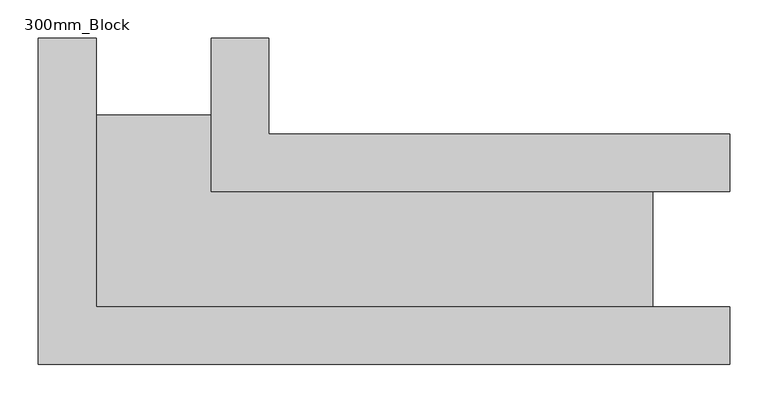
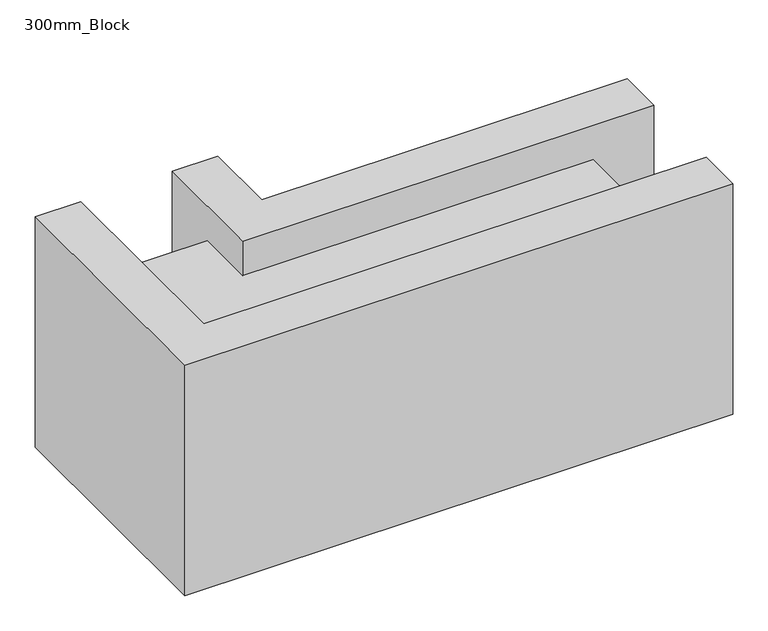
"""IFC4 building model written with IfcOpenShell, lengths in millimetres: plate geometry, 300mm_Block."""

import ifcopenshell
import ifcopenshell.guid

model = None  # the IFC model being written
_history = None  # IfcOwnerHistory: only IFC2X3 demands one
_inside = {}  # id of a spatial element -> (the spatial element, [elements in it])
_under = {}  # id of a project, library or spatial element -> (it, [spatial elements below it])
_declared = {}  # id of a project -> (the project, [libraries it declares])
_typed = {}  # id of a type object -> (the type object, [elements of that type])
_made_of = {}  # id of a material, layer set ... -> (it, [elements and type objects made of it])


def new_model(schema):
    """Start an empty IFC model of exactly this schema.

    Asked for "IFC4X3", IfcOpenShell would pick the latest addendum, in which some entities
    have other attributes; the version numbers below select the first issue.
    IFC2X3 requires an IfcOwnerHistory on every rooted entity: one is made here for all.
    """
    global model, _history
    if schema == "IFC4X3":
        model = ifcopenshell.file(schema_version=(4, 3, 0, 0))
    else:
        model = ifcopenshell.file(schema=schema)
    _inside.clear()
    _under.clear()
    _declared.clear()
    _typed.clear()
    _made_of.clear()
    _history = None
    if model.schema == "IFC2X3":
        org = make("IfcOrganization", Name="unknown")
        user = make(
            "IfcPersonAndOrganization",
            ThePerson=make("IfcPerson", FamilyName="unknown"),
            TheOrganization=org,
        )
        app = make(
            "IfcApplication",
            ApplicationDeveloper=org,
            Version="unknown",
            ApplicationFullName="unknown",
            ApplicationIdentifier="unknown",
        )
        _history = make(
            "IfcOwnerHistory",
            OwningUser=user,
            OwningApplication=app,
            ChangeAction="ADDED",
            CreationDate=0,
        )
    return model


def make(cls, **values):
    """One entity of the class cls with the attributes given. An attribute that is None is left unset."""
    return model.create_entity(
        cls, **{name: value for name, value in values.items() if value is not None}
    )


def rooted(cls, **values):
    """An entity with a GlobalId (a new one), such as an element, a storey or a relation."""
    return make(cls, GlobalId=ifcopenshell.guid.new(), OwnerHistory=_history, **values)


def si_unit(unit_type, name, prefix=None):
    """IfcSIUnit, for example si_unit("LENGTHUNIT", "METRE", prefix="MILLI")."""
    return make("IfcSIUnit", UnitType=unit_type, Prefix=prefix, Name=name)


def assignment(units):
    """IfcUnitAssignment: the units of a project."""
    return None if units is None else make("IfcUnitAssignment", Units=units)


def point(xyz):
    """IfcCartesianPoint."""
    return None if xyz is None else make("IfcCartesianPoint", Coordinates=xyz)


def direction(xyz):
    """IfcDirection."""
    return None if xyz is None else make("IfcDirection", DirectionRatios=xyz)


def frame(location, z_axis=None, x_axis=None):
    """IfcAxis2Placement3D, a coordinate frame: its origin and axes. An axis left out is left unset."""
    return make(
        "IfcAxis2Placement3D",
        Location=point(location),
        Axis=direction(z_axis),
        RefDirection=direction(x_axis),
    )


def origin():
    """The frame at (0, 0, 0) with its axes left unset."""
    return frame((0.0, 0.0, 0.0))


def origin_with_axes():
    """The frame at (0, 0, 0) with the z axis (0, 0, 1) and the x axis (1, 0, 0) written out."""
    return frame((0.0, 0.0, 0.0), z_axis=(0.0, 0.0, 1.0), x_axis=(1.0, 0.0, 0.0))


def place(relative_to, where):
    """IfcLocalPlacement: puts the frame where relative to a parent placement (None: the world)."""
    return make(
        "IfcLocalPlacement", PlacementRelTo=relative_to, RelativePlacement=where
    )


def context(
    kind, dimensions, precision=None, world=None, true_north=None, identifier=None
):
    """IfcGeometricRepresentationContext, for example the 3D "Model" context."""
    return make(
        "IfcGeometricRepresentationContext",
        ContextIdentifier=identifier,
        ContextType=kind,
        CoordinateSpaceDimension=dimensions,
        Precision=precision,
        WorldCoordinateSystem=world,
        TrueNorth=true_north,
    )


def project(units=None, contexts=None):
    """IfcProject with its units and contexts."""
    return rooted(
        "IfcProject",
        Name="project",
        RepresentationContexts=contexts,
        UnitsInContext=assignment(units),
    )


def spatial(cls, under=None, at=None, **own):
    """A site, building, storey or space (cls), placed at a placement, below another one or the project."""
    s = rooted(cls, ObjectPlacement=at, **own)
    if under is not None:
        _under.setdefault(under.id(), (under, []))[1].append(s)
    return s


def polyline(points):
    """IfcPolyline through the points."""
    return make("IfcPolyline", Points=[point(p) for p in points])


def outline(outer, holes=None, kind="AREA"):
    """IfcArbitraryClosedProfileDef: a profile drawn as a closed curve; with holes, ...WithVoids."""
    if holes is None:
        return make("IfcArbitraryClosedProfileDef", ProfileType=kind, OuterCurve=outer)
    return make(
        "IfcArbitraryProfileDefWithVoids",
        ProfileType=kind,
        OuterCurve=outer,
        InnerCurves=holes,
    )


def extrude(swept, where, along, depth):
    """IfcExtrudedAreaSolid: the profile swept, set in the frame where, extruded along a direction by depth."""
    return make(
        "IfcExtrudedAreaSolid",
        SweptArea=swept,
        Position=where,
        ExtrudedDirection=direction(along),
        Depth=depth,
    )


def shape(context_of_items, identifier, shape_type, items):
    """IfcShapeRepresentation: the items that make up one representation, for example the "Body"."""
    return make(
        "IfcShapeRepresentation",
        ContextOfItems=context_of_items,
        RepresentationIdentifier=identifier,
        RepresentationType=shape_type,
        Items=items,
    )


def source(mapping_origin, context_of_items, identifier, shape_type, items):
    """IfcRepresentationMap: a shape defined once, which mapped items show again and again."""
    return make(
        "IfcRepresentationMap",
        MappingOrigin=mapping_origin,
        MappedRepresentation=shape(context_of_items, identifier, shape_type, items),
    )


def transform(
    local_origin,
    x_axis=None,
    y_axis=None,
    z_axis=None,
    scale=None,
    scale2=None,
    scale3=None,
    uniform=True,
):
    """IfcCartesianTransformationOperator3D, or its non-uniform kind. x_axis, y_axis, z_axis: its Axis1, 2, 3."""
    if uniform:
        return make(
            "IfcCartesianTransformationOperator3D",
            Axis1=direction(x_axis),
            Axis2=direction(y_axis),
            LocalOrigin=point(local_origin),
            Scale=scale,
            Axis3=direction(z_axis),
        )
    return make(
        "IfcCartesianTransformationOperator3DnonUniform",
        Axis1=direction(x_axis),
        Axis2=direction(y_axis),
        LocalOrigin=point(local_origin),
        Scale=scale,
        Axis3=direction(z_axis),
        Scale2=scale2,
        Scale3=scale3,
    )


def mapped(mapping_source, mapping_target):
    """IfcMappedItem: shows the shape of a source again, moved by a transform."""
    return make(
        "IfcMappedItem", MappingSource=mapping_source, MappingTarget=mapping_target
    )


def made_of(thing, what):
    """Note that an element or type object is made of a material, layer set ...; save() writes the relation."""
    if what is not None:
        _made_of.setdefault(what.id(), (what, []))[1].append(thing)
    return thing


def element(
    cls,
    number,
    at=None,
    inside=None,
    cuts=None,
    type_object=None,
    material=None,
    context=None,
    identifier="Body",
    shape_type=None,
    held_by="IfcProductDefinitionShape",
    body=None,
    shapes=None,
    **own,
):
    """One element of the class cls, such as IfcWall. Its Tag is "e" and its number.

    at: its placement. inside: the storey or other place that contains it. cuts: it is an
    opening in that element (IfcRelVoidsElement). A single representation is given by context,
    identifier, shape_type and body (its items); several are given by shapes. held_by: the class
    of the entity that holds the representations. save() writes the other relations.
    """
    e = rooted(cls, Tag="e%d" % number, ObjectPlacement=at, **own)
    if body is not None:
        shapes = [shape(context, identifier, shape_type, body)]
    if shapes is not None:
        e.Representation = make(held_by, Representations=shapes)
    if inside is not None:
        _inside.setdefault(inside.id(), (inside, []))[1].append(e)
    if cuts is not None:
        rooted(
            "IfcRelVoidsElement", RelatingBuildingElement=cuts, RelatedOpeningElement=e
        )
    if type_object is not None:
        _typed.setdefault(type_object.id(), (type_object, []))[1].append(e)
    return made_of(e, material)


def aggregate(whole, parts):
    """IfcRelAggregates: a whole, such as a stair, and the parts it consists of."""
    return rooted("IfcRelAggregates", RelatingObject=whole, RelatedObjects=parts)


def save(model, path):
    """Write the relations noted so far, then the file.

    IfcRelAggregates (storeys below a building ...), IfcRelContainedInSpatialStructure (elements
    in a storey), IfcRelDefinesByType, IfcRelAssociatesMaterial and IfcRelDeclares: one each for
    every whole, place, type object, material and project.
    """
    for whole, parts in _under.values():
        aggregate(whole, parts)
    for where, things in _inside.values():
        rooted(
            "IfcRelContainedInSpatialStructure",
            RelatedElements=things,
            RelatingStructure=where,
        )
    for kind, things in _typed.values():
        rooted("IfcRelDefinesByType", RelatedObjects=things, RelatingType=kind)
    for what, things in _made_of.values():
        rooted("IfcRelAssociatesMaterial", RelatedObjects=things, RelatingMaterial=what)
    for by, libraries in _declared.values():
        rooted("IfcRelDeclares", RelatingContext=by, RelatedDefinitions=libraries)
    model.write(path)


def plate_300mm_block_67f35063(model_context):
    return source(origin(), model_context, "Body", "SweptSolid", [
        extrude(outline(polyline([(300.0, -150.0), (-600.0, -150.0), (-600.0, 275.0), (-525.0, 275.0), (-525.0, -75.0), (300.0, -75.0), (300.0, -150.0)])), origin_with_axes(), (0.0, 0.0, 1.0), 400.0),
        extrude(outline(polyline([(300.0, 75.0), (-375.0, 75.0), (-375.0, 275.0), (-300.0, 275.0), (-300.0, 150.0), (300.0, 150.0), (300.0, 75.0)])), origin_with_axes(), (0.0, 0.0, 1.0), 400.0),
        extrude(outline(polyline([(200.0, -75.0), (-525.0, -75.0), (-525.0, 175.0), (-375.0, 175.0), (-375.0, 75.0), (200.0, 75.0), (200.0, -75.0)])), frame((0.0, 0.0, 59.45), z_axis=(0.0, 0.0, 1.0), x_axis=(1.0, 0.0, 0.0)), (0.0, 0.0, 1.0), 281.1),
    ])


if __name__ == "__main__":
    model = new_model("IFC4")
    model_context = context("Model", 3, world=origin())
    ifc_project = project(units=[si_unit("LENGTHUNIT", "METRE", prefix="MILLI")], contexts=[model_context])
    site = spatial("IfcSite", under=ifc_project)
    building = spatial("IfcBuilding", under=site)
    placement = place(None, origin())
    plate_300mm_block_shape = plate_300mm_block_67f35063(model_context)
    element("IfcPlate", 1, ObjectType="300mm_Block", at=placement, inside=building, context=model_context, shape_type="MappedRepresentation", body=[
        mapped(plate_300mm_block_shape, transform((0.0, 0.0, 0.0), x_axis=(1.0, 0.0, 0.0), y_axis=(0.0, 1.0, 0.0), z_axis=(0.0, 0.0, 1.0))),
    ])
    save(model, "model.ifc")
